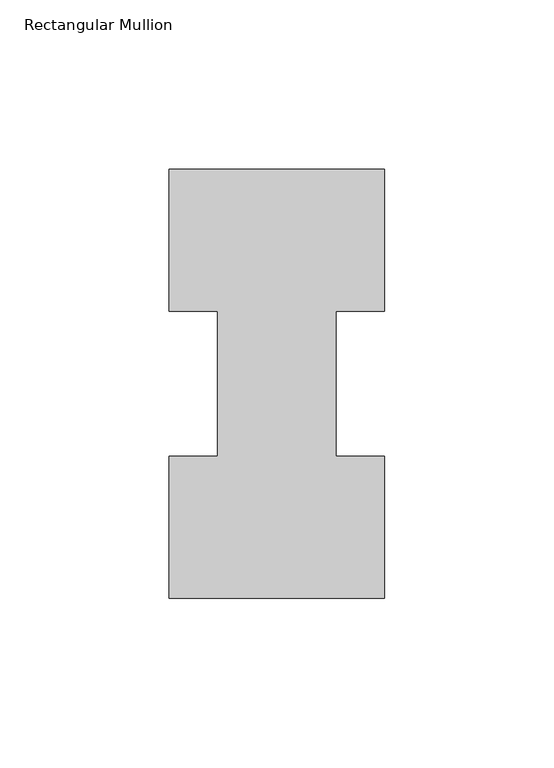
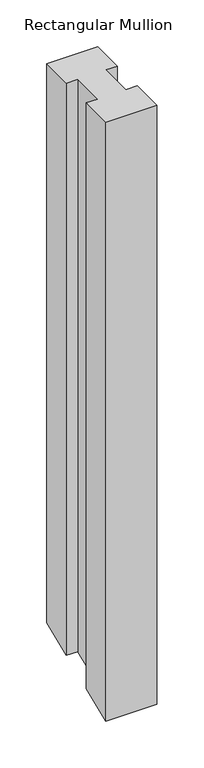
"""IFC4 building model written with IfcOpenShell, lengths in millimetres: member geometry, Rectangular Mullion."""

from ifc_helpers import new_model, si_unit, origin, place, context, project, spatial, faceted_brep, source, transform, mapped, element, save


def rectangular_mullion_801c6888(model_context):
    return source(origin(), model_context, "Body", "Brep", [
        faceted_brep([(-63.5, 0.2967757, 0.0), (0.0, 0.2967757, 0.0), (0.0, 42.1178757, 0.0), (-14.2748, 42.1178757, 0.0), (-14.2748, 84.93125, 0.0), (0.0, 84.93125, 0.0), (0.0, 126.7887757, 0.0), (-63.5, 126.7887757, 0.0), (-63.5, 84.93125, 0.0), (-49.2125, 84.93125, 0.0), (-49.2125, 42.1178757, 0.0), (-63.5, 42.1178757, 0.0), (-63.5, 0.2967757, -784.1955348), (0.0, 0.2967757, -784.1955348), (0.0, 42.1178757, -766.872668), (-14.2748, 42.1178757, -766.872668), (-14.2748, 84.93125, -749.1387877), (0.0, 84.93125, -749.1387877), (0.0, 126.7887757, -731.8008328), (-63.5, 126.7887757, -731.8008328), (-63.5, 84.93125, -749.1387877), (-49.2125, 84.93125, -749.1387877), (-49.2125, 42.1178757, -766.872668), (-63.5, 42.1178757, -766.872668)], [[[0, 1, 2, 3, 4, 5, 6, 7, 8, 9, 10, 11]], [[1, 0, 12, 13]], [[2, 1, 13, 14]], [[3, 2, 14, 15]], [[4, 3, 15, 16]], [[5, 4, 16, 17]], [[6, 5, 17, 18]], [[7, 6, 18, 19]], [[8, 7, 19, 20]], [[9, 8, 20, 21]], [[10, 9, 21, 22]], [[11, 10, 22, 23]], [[0, 11, 23, 12]], [[12, 23, 22, 21, 20, 19, 18, 17, 16, 15, 14, 13]]]),
    ])


if __name__ == "__main__":
    model = new_model("IFC4")
    model_context = context("Model", 3, world=origin())
    ifc_project = project(units=[si_unit("LENGTHUNIT", "METRE", prefix="MILLI")], contexts=[model_context])
    site = spatial("IfcSite", under=ifc_project)
    building = spatial("IfcBuilding", under=site)
    placement = place(None, origin())
    rectangular_mullion_shape = rectangular_mullion_801c6888(model_context)
    element("IfcMember", 1, ObjectType="Rectangular Mullion", at=placement, inside=building, context=model_context, shape_type="MappedRepresentation", body=[
        mapped(rectangular_mullion_shape, transform((0.0, 0.0, 0.0), x_axis=(1.0, 0.0, 0.0), y_axis=(0.0, 1.0, 0.0), z_axis=(0.0, 0.0, 1.0))),
    ])
    save(model, "model.ifc")
